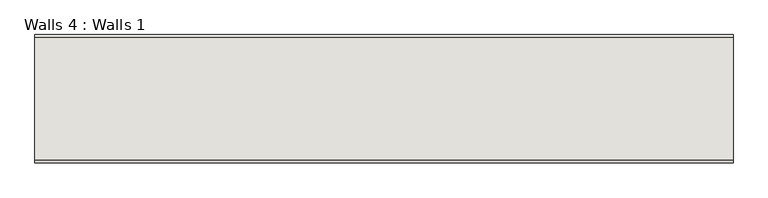
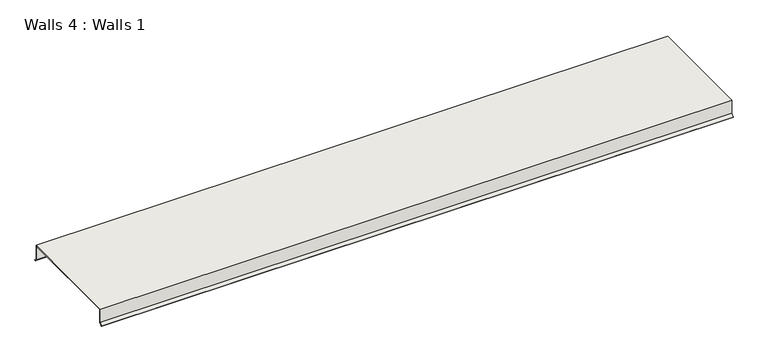
"""IFC4 building model written with IfcOpenShell, lengths in millimetres: wall geometry, Walls 4 : Walls 1."""

from ifc_helpers import new_model, si_unit, frame, origin, place, context, project, spatial, polyline, outline, extrude, source, transform, mapped, element, save


def walls_4_walls_1_25f93272(model_context):
    return source(origin(), model_context, "Body", "SweptSolid", [
        extrude(outline(polyline([(6738.6351103, 491.3191505), (6738.6351103, 446.8691505), (6729.6548542, 437.8888944), (6727.4097902, 440.1339584), (6735.4601103, 448.1842786), (6735.4601103, 494.4941505), (7097.4101103, 494.4941505), (7097.4101103, 448.1842786), (7105.4604305, 440.1339584), (7103.2153664, 437.8888944), (7094.2351103, 446.8691505), (7094.2351103, 491.3191505), (6738.6351103, 491.3191505)])), frame((-3151.0984529, 0.0, 0.0), z_axis=(1.0, 0.0, 0.0), x_axis=(0.0, 1.0, 0.0)), (0.0, 0.0, 1.0), 2057.4),
    ])


if __name__ == "__main__":
    model = new_model("IFC4")
    model_context = context("Model", 3, world=origin())
    ifc_project = project(units=[si_unit("LENGTHUNIT", "METRE", prefix="MILLI")], contexts=[model_context])
    site = spatial("IfcSite", under=ifc_project)
    building = spatial("IfcBuilding", under=site)
    placement = place(None, origin())
    walls_4_walls_1_shape = walls_4_walls_1_25f93272(model_context)
    element("IfcWall", 1, ObjectType="Walls 4 : Walls 1", at=placement, inside=building, context=model_context, shape_type="MappedRepresentation", body=[
        mapped(walls_4_walls_1_shape, transform((0.0, 0.0, 0.0), x_axis=(1.0, 0.0, 0.0), y_axis=(0.0, 1.0, 0.0), z_axis=(0.0, 0.0, 1.0))),
    ])
    save(model, "model.ifc")
